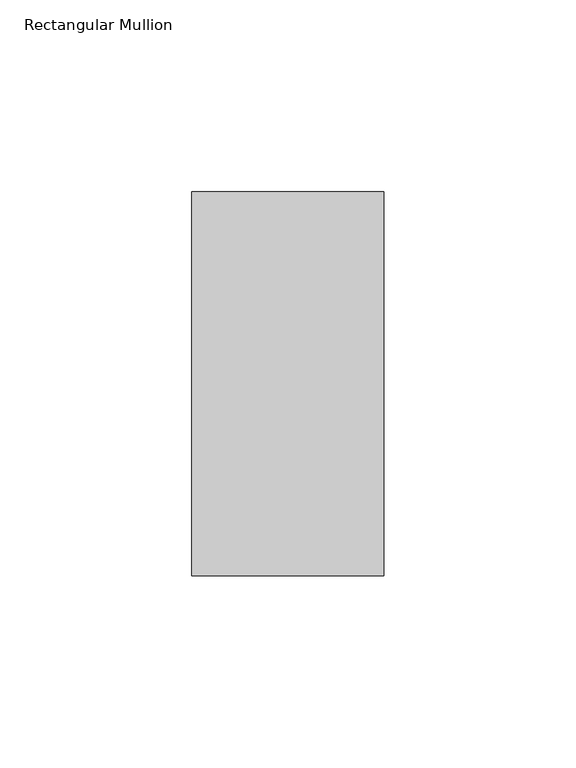
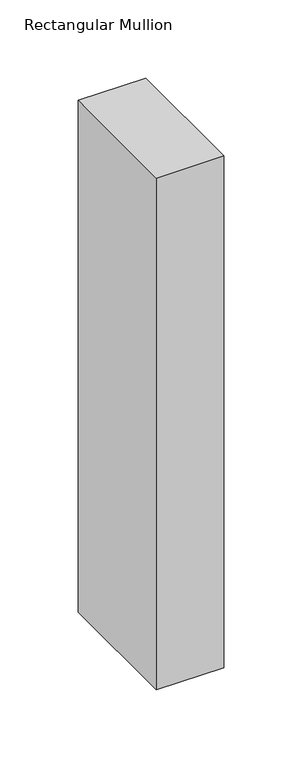
"""IFC4 building model written with IfcOpenShell, lengths in millimetres: member geometry, Rectangular Mullion."""

import ifcopenshell
import ifcopenshell.guid

model = None  # the IFC model being written
_history = None  # IfcOwnerHistory: only IFC2X3 demands one
_inside = {}  # id of a spatial element -> (the spatial element, [elements in it])
_under = {}  # id of a project, library or spatial element -> (it, [spatial elements below it])
_declared = {}  # id of a project -> (the project, [libraries it declares])
_typed = {}  # id of a type object -> (the type object, [elements of that type])
_made_of = {}  # id of a material, layer set ... -> (it, [elements and type objects made of it])


def new_model(schema):
    """Start an empty IFC model of exactly this schema.

    Asked for "IFC4X3", IfcOpenShell would pick the latest addendum, in which some entities
    have other attributes; the version numbers below select the first issue.
    IFC2X3 requires an IfcOwnerHistory on every rooted entity: one is made here for all.
    """
    global model, _history
    if schema == "IFC4X3":
        model = ifcopenshell.file(schema_version=(4, 3, 0, 0))
    else:
        model = ifcopenshell.file(schema=schema)
    _inside.clear()
    _under.clear()
    _declared.clear()
    _typed.clear()
    _made_of.clear()
    _history = None
    if model.schema == "IFC2X3":
        org = make("IfcOrganization", Name="unknown")
        user = make(
            "IfcPersonAndOrganization",
            ThePerson=make("IfcPerson", FamilyName="unknown"),
            TheOrganization=org,
        )
        app = make(
            "IfcApplication",
            ApplicationDeveloper=org,
            Version="unknown",
            ApplicationFullName="unknown",
            ApplicationIdentifier="unknown",
        )
        _history = make(
            "IfcOwnerHistory",
            OwningUser=user,
            OwningApplication=app,
            ChangeAction="ADDED",
            CreationDate=0,
        )
    return model


def make(cls, **values):
    """One entity of the class cls with the attributes given. An attribute that is None is left unset."""
    return model.create_entity(
        cls, **{name: value for name, value in values.items() if value is not None}
    )


def rooted(cls, **values):
    """An entity with a GlobalId (a new one), such as an element, a storey or a relation."""
    return make(cls, GlobalId=ifcopenshell.guid.new(), OwnerHistory=_history, **values)


def si_unit(unit_type, name, prefix=None):
    """IfcSIUnit, for example si_unit("LENGTHUNIT", "METRE", prefix="MILLI")."""
    return make("IfcSIUnit", UnitType=unit_type, Prefix=prefix, Name=name)


def assignment(units):
    """IfcUnitAssignment: the units of a project."""
    return None if units is None else make("IfcUnitAssignment", Units=units)


def point(xyz):
    """IfcCartesianPoint."""
    return None if xyz is None else make("IfcCartesianPoint", Coordinates=xyz)


def direction(xyz):
    """IfcDirection."""
    return None if xyz is None else make("IfcDirection", DirectionRatios=xyz)


def frame(location, z_axis=None, x_axis=None):
    """IfcAxis2Placement3D, a coordinate frame: its origin and axes. An axis left out is left unset."""
    return make(
        "IfcAxis2Placement3D",
        Location=point(location),
        Axis=direction(z_axis),
        RefDirection=direction(x_axis),
    )


def origin():
    """The frame at (0, 0, 0) with its axes left unset."""
    return frame((0.0, 0.0, 0.0))


def place(relative_to, where):
    """IfcLocalPlacement: puts the frame where relative to a parent placement (None: the world)."""
    return make(
        "IfcLocalPlacement", PlacementRelTo=relative_to, RelativePlacement=where
    )


def context(
    kind, dimensions, precision=None, world=None, true_north=None, identifier=None
):
    """IfcGeometricRepresentationContext, for example the 3D "Model" context."""
    return make(
        "IfcGeometricRepresentationContext",
        ContextIdentifier=identifier,
        ContextType=kind,
        CoordinateSpaceDimension=dimensions,
        Precision=precision,
        WorldCoordinateSystem=world,
        TrueNorth=true_north,
    )


def project(units=None, contexts=None):
    """IfcProject with its units and contexts."""
    return rooted(
        "IfcProject",
        Name="project",
        RepresentationContexts=contexts,
        UnitsInContext=assignment(units),
    )


def spatial(cls, under=None, at=None, **own):
    """A site, building, storey or space (cls), placed at a placement, below another one or the project."""
    s = rooted(cls, ObjectPlacement=at, **own)
    if under is not None:
        _under.setdefault(under.id(), (under, []))[1].append(s)
    return s


def polyline(points):
    """IfcPolyline through the points."""
    return make("IfcPolyline", Points=[point(p) for p in points])


def outline(outer, holes=None, kind="AREA"):
    """IfcArbitraryClosedProfileDef: a profile drawn as a closed curve; with holes, ...WithVoids."""
    if holes is None:
        return make("IfcArbitraryClosedProfileDef", ProfileType=kind, OuterCurve=outer)
    return make(
        "IfcArbitraryProfileDefWithVoids",
        ProfileType=kind,
        OuterCurve=outer,
        InnerCurves=holes,
    )


def extrude(swept, where, along, depth):
    """IfcExtrudedAreaSolid: the profile swept, set in the frame where, extruded along a direction by depth."""
    return make(
        "IfcExtrudedAreaSolid",
        SweptArea=swept,
        Position=where,
        ExtrudedDirection=direction(along),
        Depth=depth,
    )


def shape(context_of_items, identifier, shape_type, items):
    """IfcShapeRepresentation: the items that make up one representation, for example the "Body"."""
    return make(
        "IfcShapeRepresentation",
        ContextOfItems=context_of_items,
        RepresentationIdentifier=identifier,
        RepresentationType=shape_type,
        Items=items,
    )


def source(mapping_origin, context_of_items, identifier, shape_type, items):
    """IfcRepresentationMap: a shape defined once, which mapped items show again and again."""
    return make(
        "IfcRepresentationMap",
        MappingOrigin=mapping_origin,
        MappedRepresentation=shape(context_of_items, identifier, shape_type, items),
    )


def transform(
    local_origin,
    x_axis=None,
    y_axis=None,
    z_axis=None,
    scale=None,
    scale2=None,
    scale3=None,
    uniform=True,
):
    """IfcCartesianTransformationOperator3D, or its non-uniform kind. x_axis, y_axis, z_axis: its Axis1, 2, 3."""
    if uniform:
        return make(
            "IfcCartesianTransformationOperator3D",
            Axis1=direction(x_axis),
            Axis2=direction(y_axis),
            LocalOrigin=point(local_origin),
            Scale=scale,
            Axis3=direction(z_axis),
        )
    return make(
        "IfcCartesianTransformationOperator3DnonUniform",
        Axis1=direction(x_axis),
        Axis2=direction(y_axis),
        LocalOrigin=point(local_origin),
        Scale=scale,
        Axis3=direction(z_axis),
        Scale2=scale2,
        Scale3=scale3,
    )


def mapped(mapping_source, mapping_target):
    """IfcMappedItem: shows the shape of a source again, moved by a transform."""
    return make(
        "IfcMappedItem", MappingSource=mapping_source, MappingTarget=mapping_target
    )


def made_of(thing, what):
    """Note that an element or type object is made of a material, layer set ...; save() writes the relation."""
    if what is not None:
        _made_of.setdefault(what.id(), (what, []))[1].append(thing)
    return thing


def element(
    cls,
    number,
    at=None,
    inside=None,
    cuts=None,
    type_object=None,
    material=None,
    context=None,
    identifier="Body",
    shape_type=None,
    held_by="IfcProductDefinitionShape",
    body=None,
    shapes=None,
    **own,
):
    """One element of the class cls, such as IfcWall. Its Tag is "e" and its number.

    at: its placement. inside: the storey or other place that contains it. cuts: it is an
    opening in that element (IfcRelVoidsElement). A single representation is given by context,
    identifier, shape_type and body (its items); several are given by shapes. held_by: the class
    of the entity that holds the representations. save() writes the other relations.
    """
    e = rooted(cls, Tag="e%d" % number, ObjectPlacement=at, **own)
    if body is not None:
        shapes = [shape(context, identifier, shape_type, body)]
    if shapes is not None:
        e.Representation = make(held_by, Representations=shapes)
    if inside is not None:
        _inside.setdefault(inside.id(), (inside, []))[1].append(e)
    if cuts is not None:
        rooted(
            "IfcRelVoidsElement", RelatingBuildingElement=cuts, RelatedOpeningElement=e
        )
    if type_object is not None:
        _typed.setdefault(type_object.id(), (type_object, []))[1].append(e)
    return made_of(e, material)


def aggregate(whole, parts):
    """IfcRelAggregates: a whole, such as a stair, and the parts it consists of."""
    return rooted("IfcRelAggregates", RelatingObject=whole, RelatedObjects=parts)


def save(model, path):
    """Write the relations noted so far, then the file.

    IfcRelAggregates (storeys below a building ...), IfcRelContainedInSpatialStructure (elements
    in a storey), IfcRelDefinesByType, IfcRelAssociatesMaterial and IfcRelDeclares: one each for
    every whole, place, type object, material and project.
    """
    for whole, parts in _under.values():
        aggregate(whole, parts)
    for where, things in _inside.values():
        rooted(
            "IfcRelContainedInSpatialStructure",
            RelatedElements=things,
            RelatingStructure=where,
        )
    for kind, things in _typed.values():
        rooted("IfcRelDefinesByType", RelatedObjects=things, RelatingType=kind)
    for what, things in _made_of.values():
        rooted("IfcRelAssociatesMaterial", RelatedObjects=things, RelatingMaterial=what)
    for by, libraries in _declared.values():
        rooted("IfcRelDeclares", RelatingContext=by, RelatedDefinitions=libraries)
    model.write(path)


def rectangular_mullion_29ef894a(model_context):
    return source(origin(), model_context, "Body", "SweptSolid", [
        extrude(outline(polyline([(25.0, 69.0), (25.0, -31.0), (-25.0, -31.0), (-25.0, 69.0), (25.0, 69.0)])), frame((0.0, 0.0, -400.0), z_axis=(0.0, 0.0, 1.0), x_axis=(1.0, 0.0, 0.0)), (0.0, 0.0, 1.0), 400.0),
    ])


if __name__ == "__main__":
    model = new_model("IFC4")
    model_context = context("Model", 3, world=origin())
    ifc_project = project(units=[si_unit("LENGTHUNIT", "METRE", prefix="MILLI")], contexts=[model_context])
    site = spatial("IfcSite", under=ifc_project)
    building = spatial("IfcBuilding", under=site)
    placement = place(None, origin())
    rectangular_mullion_shape = rectangular_mullion_29ef894a(model_context)
    element("IfcMember", 1, ObjectType="Rectangular Mullion", at=placement, inside=building, context=model_context, shape_type="MappedRepresentation", body=[
        mapped(rectangular_mullion_shape, transform((0.0, 0.0, 0.0), x_axis=(1.0, 0.0, 0.0), y_axis=(0.0, 1.0, 0.0), z_axis=(0.0, 0.0, 1.0))),
    ])
    save(model, "model.ifc")
